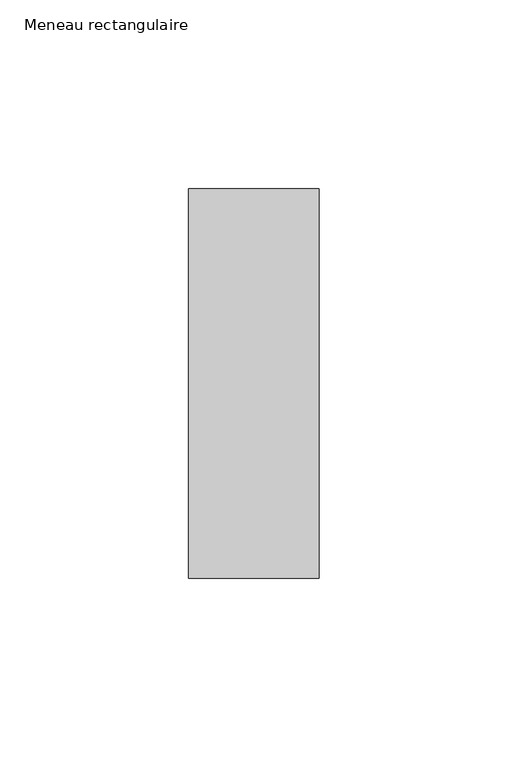
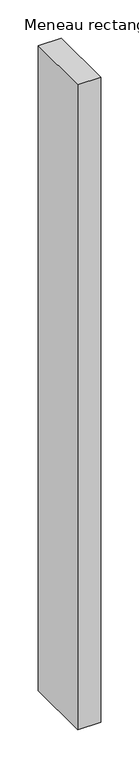
"""IFC4 building model written with IfcOpenShell, lengths in millimetres: member geometry, Meneau rectangulaire."""

from ifc_helpers import new_model, si_unit, frame, origin, place, context, project, spatial, polyline, outline, extrude, source, transform, mapped, element, save


def meneau_rectangulaire_e0800125(model_context):
    return source(origin(), model_context, "Body", "SweptSolid", [
        extrude(outline(polyline([(0.0, 51.5), (0.0, -51.5), (-34.5, -51.5), (-34.5, 51.5), (0.0, 51.5)])), frame((0.0, 0.0, -1028.3830686), z_axis=(0.0, 0.0, 1.0), x_axis=(1.0, 0.0, 0.0)), (0.0, 0.0, 1.0), 1028.3830686),
    ])


if __name__ == "__main__":
    model = new_model("IFC4")
    model_context = context("Model", 3, world=origin())
    ifc_project = project(units=[si_unit("LENGTHUNIT", "METRE", prefix="MILLI")], contexts=[model_context])
    site = spatial("IfcSite", under=ifc_project)
    building = spatial("IfcBuilding", under=site)
    placement = place(None, origin())
    meneau_rectangulaire_shape = meneau_rectangulaire_e0800125(model_context)
    element("IfcMember", 1, ObjectType="Meneau rectangulaire", at=placement, inside=building, context=model_context, shape_type="MappedRepresentation", body=[
        mapped(meneau_rectangulaire_shape, transform((0.0, 0.0, 0.0), x_axis=(1.0, 0.0, 0.0), y_axis=(0.0, 1.0, 0.0), z_axis=(0.0, 0.0, 1.0))),
    ])
    save(model, "model.ifc")
